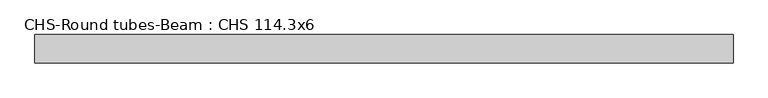
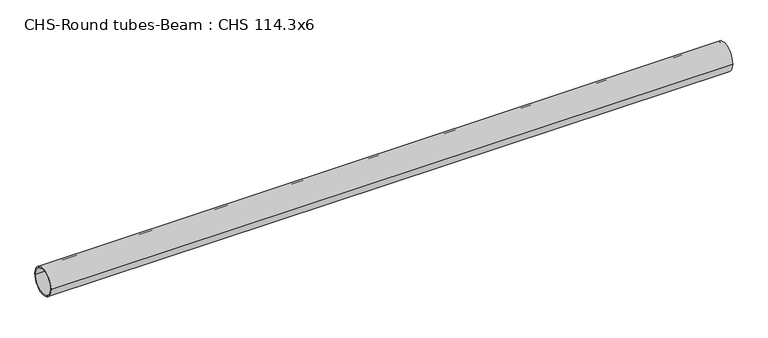
"""IFC4 building model written with IfcOpenShell, lengths in millimetres: beam geometry, CHS-Round tubes-Beam : CHS 114.3x6."""

from ifc_helpers import new_model, si_unit, point, frame, origin, origin_2d, place, context, project, spatial, circle_curve, trimmed, segment, composite_curve, outline, extrude, source, transform, mapped, element, save


def chs_round_tubes_beam_chs_114_3x6_ffc5c7a5(model_context):
    return source(origin(), model_context, "Body", "SweptSolid", [
        extrude(outline(composite_curve([segment(trimmed(circle_curve(origin_2d(), 57.15), [point((57.15, 0.0))], [point((-57.15, 0.0))], False, "CARTESIAN"), True, "CONTINUOUS"), segment(trimmed(circle_curve(origin_2d(), 57.15), [point((-57.15, 0.0))], [point((57.15, 0.0))], False, "CARTESIAN"), True, "CONTINUOUS")], self_intersect=False), holes=[composite_curve([segment(trimmed(circle_curve(origin_2d(), 51.15), [point((51.15, 0.0))], [point((-51.15, 0.0))], True, "CARTESIAN"), True, "CONTINUOUS"), segment(trimmed(circle_curve(origin_2d(), 51.15), [point((-51.15, 0.0))], [point((51.15, 0.0))], True, "CARTESIAN"), True, "CONTINUOUS")], self_intersect=False)]), frame((-1385.1946676, 0.0, 0.0), z_axis=(1.0, 0.0, 0.0), x_axis=(0.0, 1.0, 0.0)), (0.0, 0.0, 1.0), 2795.7329294),
    ])


if __name__ == "__main__":
    model = new_model("IFC4")
    model_context = context("Model", 3, world=origin())
    ifc_project = project(units=[si_unit("LENGTHUNIT", "METRE", prefix="MILLI")], contexts=[model_context])
    site = spatial("IfcSite", under=ifc_project)
    building = spatial("IfcBuilding", under=site)
    placement = place(None, origin())
    chs_round_tubes_beam_chs_114_3x6_shape = chs_round_tubes_beam_chs_114_3x6_ffc5c7a5(model_context)
    element("IfcBeam", 1, ObjectType="CHS-Round tubes-Beam : CHS 114.3x6", at=placement, inside=building, context=model_context, shape_type="MappedRepresentation", body=[
        mapped(chs_round_tubes_beam_chs_114_3x6_shape, transform((0.0, 0.0, 0.0), x_axis=(1.0, 0.0, 0.0), y_axis=(0.0, 1.0, 0.0), z_axis=(0.0, 0.0, 1.0))),
    ])
    save(model, "model.ifc")
